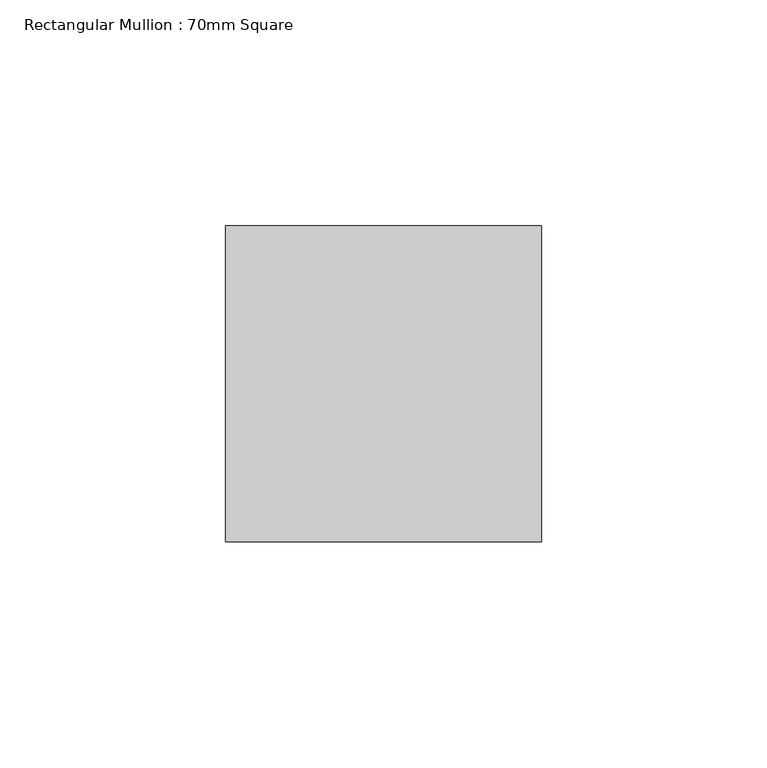
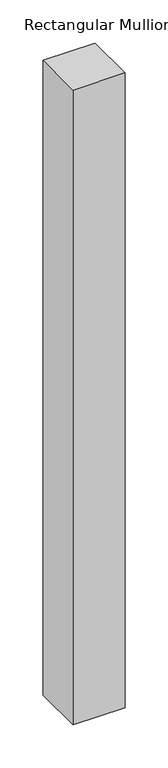
"""IFC4 building model written with IfcOpenShell, lengths in millimetres: member geometry, Rectangular Mullion : 70mm Square."""

import ifcopenshell
import ifcopenshell.guid

model = None  # the IFC model being written
_history = None  # IfcOwnerHistory: only IFC2X3 demands one
_inside = {}  # id of a spatial element -> (the spatial element, [elements in it])
_under = {}  # id of a project, library or spatial element -> (it, [spatial elements below it])
_declared = {}  # id of a project -> (the project, [libraries it declares])
_typed = {}  # id of a type object -> (the type object, [elements of that type])
_made_of = {}  # id of a material, layer set ... -> (it, [elements and type objects made of it])


def new_model(schema):
    """Start an empty IFC model of exactly this schema.

    Asked for "IFC4X3", IfcOpenShell would pick the latest addendum, in which some entities
    have other attributes; the version numbers below select the first issue.
    IFC2X3 requires an IfcOwnerHistory on every rooted entity: one is made here for all.
    """
    global model, _history
    if schema == "IFC4X3":
        model = ifcopenshell.file(schema_version=(4, 3, 0, 0))
    else:
        model = ifcopenshell.file(schema=schema)
    _inside.clear()
    _under.clear()
    _declared.clear()
    _typed.clear()
    _made_of.clear()
    _history = None
    if model.schema == "IFC2X3":
        org = make("IfcOrganization", Name="unknown")
        user = make(
            "IfcPersonAndOrganization",
            ThePerson=make("IfcPerson", FamilyName="unknown"),
            TheOrganization=org,
        )
        app = make(
            "IfcApplication",
            ApplicationDeveloper=org,
            Version="unknown",
            ApplicationFullName="unknown",
            ApplicationIdentifier="unknown",
        )
        _history = make(
            "IfcOwnerHistory",
            OwningUser=user,
            OwningApplication=app,
            ChangeAction="ADDED",
            CreationDate=0,
        )
    return model


def make(cls, **values):
    """One entity of the class cls with the attributes given. An attribute that is None is left unset."""
    return model.create_entity(
        cls, **{name: value for name, value in values.items() if value is not None}
    )


def rooted(cls, **values):
    """An entity with a GlobalId (a new one), such as an element, a storey or a relation."""
    return make(cls, GlobalId=ifcopenshell.guid.new(), OwnerHistory=_history, **values)


def si_unit(unit_type, name, prefix=None):
    """IfcSIUnit, for example si_unit("LENGTHUNIT", "METRE", prefix="MILLI")."""
    return make("IfcSIUnit", UnitType=unit_type, Prefix=prefix, Name=name)


def assignment(units):
    """IfcUnitAssignment: the units of a project."""
    return None if units is None else make("IfcUnitAssignment", Units=units)


def point(xyz):
    """IfcCartesianPoint."""
    return None if xyz is None else make("IfcCartesianPoint", Coordinates=xyz)


def direction(xyz):
    """IfcDirection."""
    return None if xyz is None else make("IfcDirection", DirectionRatios=xyz)


def frame(location, z_axis=None, x_axis=None):
    """IfcAxis2Placement3D, a coordinate frame: its origin and axes. An axis left out is left unset."""
    return make(
        "IfcAxis2Placement3D",
        Location=point(location),
        Axis=direction(z_axis),
        RefDirection=direction(x_axis),
    )


def origin():
    """The frame at (0, 0, 0) with its axes left unset."""
    return frame((0.0, 0.0, 0.0))


def place(relative_to, where):
    """IfcLocalPlacement: puts the frame where relative to a parent placement (None: the world)."""
    return make(
        "IfcLocalPlacement", PlacementRelTo=relative_to, RelativePlacement=where
    )


def context(
    kind, dimensions, precision=None, world=None, true_north=None, identifier=None
):
    """IfcGeometricRepresentationContext, for example the 3D "Model" context."""
    return make(
        "IfcGeometricRepresentationContext",
        ContextIdentifier=identifier,
        ContextType=kind,
        CoordinateSpaceDimension=dimensions,
        Precision=precision,
        WorldCoordinateSystem=world,
        TrueNorth=true_north,
    )


def project(units=None, contexts=None):
    """IfcProject with its units and contexts."""
    return rooted(
        "IfcProject",
        Name="project",
        RepresentationContexts=contexts,
        UnitsInContext=assignment(units),
    )


def spatial(cls, under=None, at=None, **own):
    """A site, building, storey or space (cls), placed at a placement, below another one or the project."""
    s = rooted(cls, ObjectPlacement=at, **own)
    if under is not None:
        _under.setdefault(under.id(), (under, []))[1].append(s)
    return s


def polyline(points):
    """IfcPolyline through the points."""
    return make("IfcPolyline", Points=[point(p) for p in points])


def outline(outer, holes=None, kind="AREA"):
    """IfcArbitraryClosedProfileDef: a profile drawn as a closed curve; with holes, ...WithVoids."""
    if holes is None:
        return make("IfcArbitraryClosedProfileDef", ProfileType=kind, OuterCurve=outer)
    return make(
        "IfcArbitraryProfileDefWithVoids",
        ProfileType=kind,
        OuterCurve=outer,
        InnerCurves=holes,
    )


def extrude(swept, where, along, depth):
    """IfcExtrudedAreaSolid: the profile swept, set in the frame where, extruded along a direction by depth."""
    return make(
        "IfcExtrudedAreaSolid",
        SweptArea=swept,
        Position=where,
        ExtrudedDirection=direction(along),
        Depth=depth,
    )


def shape(context_of_items, identifier, shape_type, items):
    """IfcShapeRepresentation: the items that make up one representation, for example the "Body"."""
    return make(
        "IfcShapeRepresentation",
        ContextOfItems=context_of_items,
        RepresentationIdentifier=identifier,
        RepresentationType=shape_type,
        Items=items,
    )


def source(mapping_origin, context_of_items, identifier, shape_type, items):
    """IfcRepresentationMap: a shape defined once, which mapped items show again and again."""
    return make(
        "IfcRepresentationMap",
        MappingOrigin=mapping_origin,
        MappedRepresentation=shape(context_of_items, identifier, shape_type, items),
    )


def transform(
    local_origin,
    x_axis=None,
    y_axis=None,
    z_axis=None,
    scale=None,
    scale2=None,
    scale3=None,
    uniform=True,
):
    """IfcCartesianTransformationOperator3D, or its non-uniform kind. x_axis, y_axis, z_axis: its Axis1, 2, 3."""
    if uniform:
        return make(
            "IfcCartesianTransformationOperator3D",
            Axis1=direction(x_axis),
            Axis2=direction(y_axis),
            LocalOrigin=point(local_origin),
            Scale=scale,
            Axis3=direction(z_axis),
        )
    return make(
        "IfcCartesianTransformationOperator3DnonUniform",
        Axis1=direction(x_axis),
        Axis2=direction(y_axis),
        LocalOrigin=point(local_origin),
        Scale=scale,
        Axis3=direction(z_axis),
        Scale2=scale2,
        Scale3=scale3,
    )


def mapped(mapping_source, mapping_target):
    """IfcMappedItem: shows the shape of a source again, moved by a transform."""
    return make(
        "IfcMappedItem", MappingSource=mapping_source, MappingTarget=mapping_target
    )


def made_of(thing, what):
    """Note that an element or type object is made of a material, layer set ...; save() writes the relation."""
    if what is not None:
        _made_of.setdefault(what.id(), (what, []))[1].append(thing)
    return thing


def element(
    cls,
    number,
    at=None,
    inside=None,
    cuts=None,
    type_object=None,
    material=None,
    context=None,
    identifier="Body",
    shape_type=None,
    held_by="IfcProductDefinitionShape",
    body=None,
    shapes=None,
    **own,
):
    """One element of the class cls, such as IfcWall. Its Tag is "e" and its number.

    at: its placement. inside: the storey or other place that contains it. cuts: it is an
    opening in that element (IfcRelVoidsElement). A single representation is given by context,
    identifier, shape_type and body (its items); several are given by shapes. held_by: the class
    of the entity that holds the representations. save() writes the other relations.
    """
    e = rooted(cls, Tag="e%d" % number, ObjectPlacement=at, **own)
    if body is not None:
        shapes = [shape(context, identifier, shape_type, body)]
    if shapes is not None:
        e.Representation = make(held_by, Representations=shapes)
    if inside is not None:
        _inside.setdefault(inside.id(), (inside, []))[1].append(e)
    if cuts is not None:
        rooted(
            "IfcRelVoidsElement", RelatingBuildingElement=cuts, RelatedOpeningElement=e
        )
    if type_object is not None:
        _typed.setdefault(type_object.id(), (type_object, []))[1].append(e)
    return made_of(e, material)


def aggregate(whole, parts):
    """IfcRelAggregates: a whole, such as a stair, and the parts it consists of."""
    return rooted("IfcRelAggregates", RelatingObject=whole, RelatedObjects=parts)


def save(model, path):
    """Write the relations noted so far, then the file.

    IfcRelAggregates (storeys below a building ...), IfcRelContainedInSpatialStructure (elements
    in a storey), IfcRelDefinesByType, IfcRelAssociatesMaterial and IfcRelDeclares: one each for
    every whole, place, type object, material and project.
    """
    for whole, parts in _under.values():
        aggregate(whole, parts)
    for where, things in _inside.values():
        rooted(
            "IfcRelContainedInSpatialStructure",
            RelatedElements=things,
            RelatingStructure=where,
        )
    for kind, things in _typed.values():
        rooted("IfcRelDefinesByType", RelatedObjects=things, RelatingType=kind)
    for what, things in _made_of.values():
        rooted("IfcRelAssociatesMaterial", RelatedObjects=things, RelatingMaterial=what)
    for by, libraries in _declared.values():
        rooted("IfcRelDeclares", RelatingContext=by, RelatedDefinitions=libraries)
    model.write(path)


def rectangular_mullion_70mm_square_a6cecef8(model_context):
    return source(origin(), model_context, "Body", "SweptSolid", [
        extrude(outline(polyline([(0.0, 35.0), (0.0, -35.0), (-70.0, -35.0), (-70.0, 35.0), (0.0, 35.0)])), frame((0.0, 0.0, -899.9822704), z_axis=(0.0, 0.0, 1.0), x_axis=(1.0, 0.0, 0.0)), (0.0, 0.0, 1.0), 899.9822704),
    ])


if __name__ == "__main__":
    model = new_model("IFC4")
    model_context = context("Model", 3, world=origin())
    ifc_project = project(units=[si_unit("LENGTHUNIT", "METRE", prefix="MILLI")], contexts=[model_context])
    site = spatial("IfcSite", under=ifc_project)
    building = spatial("IfcBuilding", under=site)
    placement = place(None, origin())
    rectangular_mullion_70mm_square_shape = rectangular_mullion_70mm_square_a6cecef8(model_context)
    element("IfcMember", 1, ObjectType="Rectangular Mullion : 70mm Square", at=placement, inside=building, context=model_context, shape_type="MappedRepresentation", body=[
        mapped(rectangular_mullion_70mm_square_shape, transform((0.0, 0.0, 0.0), x_axis=(1.0, 0.0, 0.0), y_axis=(0.0, 1.0, 0.0), z_axis=(0.0, 0.0, 1.0))),
    ])
    save(model, "model.ifc")
